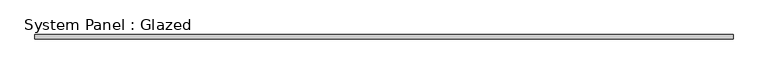
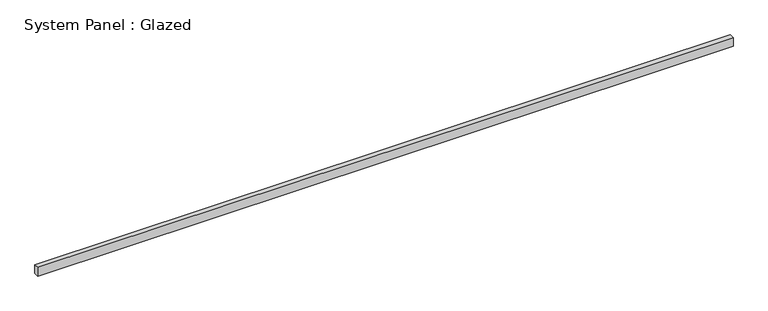
"""IFC4 building model written with IfcOpenShell, lengths in millimetres: plate geometry, System Panel : Glazed."""

from ifc_helpers import new_model, si_unit, origin, origin_with_axes, place, context, project, spatial, polyline, outline, extrude, source, transform, mapped, element, save


def system_panel_glazed_692b1acc(model_context):
    return source(origin(), model_context, "Body", "SweptSolid", [
        extrude(outline(polyline([(1902.6385932, 24.5), (-1902.6385932, 24.5), (-1902.6385932, 49.5), (1902.6385932, 49.5), (1902.6385932, 24.5)])), origin_with_axes(), (0.0, 0.0, 1.0), 50.0),
    ])


if __name__ == "__main__":
    model = new_model("IFC4")
    model_context = context("Model", 3, world=origin())
    ifc_project = project(units=[si_unit("LENGTHUNIT", "METRE", prefix="MILLI")], contexts=[model_context])
    site = spatial("IfcSite", under=ifc_project)
    building = spatial("IfcBuilding", under=site)
    placement = place(None, origin())
    system_panel_glazed_shape = system_panel_glazed_692b1acc(model_context)
    element("IfcPlate", 1, ObjectType="System Panel : Glazed", at=placement, inside=building, context=model_context, shape_type="MappedRepresentation", body=[
        mapped(system_panel_glazed_shape, transform((0.0, 0.0, 0.0), x_axis=(1.0, 0.0, 0.0), y_axis=(0.0, 1.0, 0.0), z_axis=(0.0, 0.0, 1.0))),
    ])
    save(model, "model.ifc")
